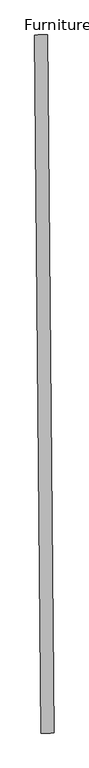
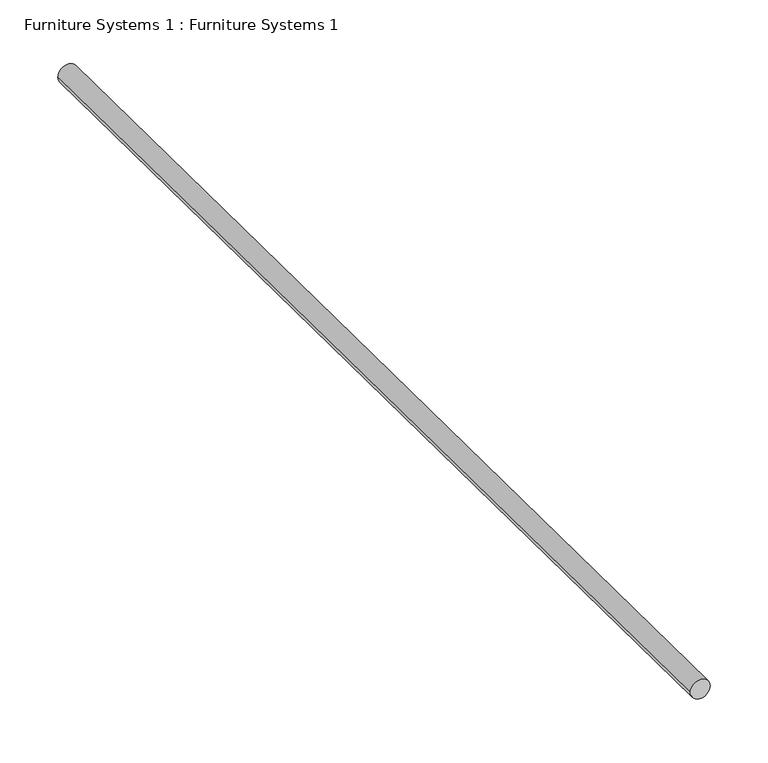
"""IFC4 building model written with IfcOpenShell, lengths in millimetres: furniture geometry, Furniture Systems 1 : Furniture Systems 1."""

import ifcopenshell
import ifcopenshell.guid

model = None  # the IFC model being written
_history = None  # IfcOwnerHistory: only IFC2X3 demands one
_inside = {}  # id of a spatial element -> (the spatial element, [elements in it])
_under = {}  # id of a project, library or spatial element -> (it, [spatial elements below it])
_declared = {}  # id of a project -> (the project, [libraries it declares])
_typed = {}  # id of a type object -> (the type object, [elements of that type])
_made_of = {}  # id of a material, layer set ... -> (it, [elements and type objects made of it])


def new_model(schema):
    """Start an empty IFC model of exactly this schema.

    Asked for "IFC4X3", IfcOpenShell would pick the latest addendum, in which some entities
    have other attributes; the version numbers below select the first issue.
    IFC2X3 requires an IfcOwnerHistory on every rooted entity: one is made here for all.
    """
    global model, _history
    if schema == "IFC4X3":
        model = ifcopenshell.file(schema_version=(4, 3, 0, 0))
    else:
        model = ifcopenshell.file(schema=schema)
    _inside.clear()
    _under.clear()
    _declared.clear()
    _typed.clear()
    _made_of.clear()
    _history = None
    if model.schema == "IFC2X3":
        org = make("IfcOrganization", Name="unknown")
        user = make(
            "IfcPersonAndOrganization",
            ThePerson=make("IfcPerson", FamilyName="unknown"),
            TheOrganization=org,
        )
        app = make(
            "IfcApplication",
            ApplicationDeveloper=org,
            Version="unknown",
            ApplicationFullName="unknown",
            ApplicationIdentifier="unknown",
        )
        _history = make(
            "IfcOwnerHistory",
            OwningUser=user,
            OwningApplication=app,
            ChangeAction="ADDED",
            CreationDate=0,
        )
    return model


def make(cls, **values):
    """One entity of the class cls with the attributes given. An attribute that is None is left unset."""
    return model.create_entity(
        cls, **{name: value for name, value in values.items() if value is not None}
    )


def rooted(cls, **values):
    """An entity with a GlobalId (a new one), such as an element, a storey or a relation."""
    return make(cls, GlobalId=ifcopenshell.guid.new(), OwnerHistory=_history, **values)


def si_unit(unit_type, name, prefix=None):
    """IfcSIUnit, for example si_unit("LENGTHUNIT", "METRE", prefix="MILLI")."""
    return make("IfcSIUnit", UnitType=unit_type, Prefix=prefix, Name=name)


def assignment(units):
    """IfcUnitAssignment: the units of a project."""
    return None if units is None else make("IfcUnitAssignment", Units=units)


def point(xyz):
    """IfcCartesianPoint."""
    return None if xyz is None else make("IfcCartesianPoint", Coordinates=xyz)


def direction(xyz):
    """IfcDirection."""
    return None if xyz is None else make("IfcDirection", DirectionRatios=xyz)


def frame(location, z_axis=None, x_axis=None):
    """IfcAxis2Placement3D, a coordinate frame: its origin and axes. An axis left out is left unset."""
    return make(
        "IfcAxis2Placement3D",
        Location=point(location),
        Axis=direction(z_axis),
        RefDirection=direction(x_axis),
    )


def frame_2d(location, x_axis=None):
    """IfcAxis2Placement2D, a coordinate frame in the plane: its origin and x axis."""
    return make(
        "IfcAxis2Placement2D", Location=point(location), RefDirection=direction(x_axis)
    )


def origin():
    """The frame at (0, 0, 0) with its axes left unset."""
    return frame((0.0, 0.0, 0.0))


def place(relative_to, where):
    """IfcLocalPlacement: puts the frame where relative to a parent placement (None: the world)."""
    return make(
        "IfcLocalPlacement", PlacementRelTo=relative_to, RelativePlacement=where
    )


def context(
    kind, dimensions, precision=None, world=None, true_north=None, identifier=None
):
    """IfcGeometricRepresentationContext, for example the 3D "Model" context."""
    return make(
        "IfcGeometricRepresentationContext",
        ContextIdentifier=identifier,
        ContextType=kind,
        CoordinateSpaceDimension=dimensions,
        Precision=precision,
        WorldCoordinateSystem=world,
        TrueNorth=true_north,
    )


def project(units=None, contexts=None):
    """IfcProject with its units and contexts."""
    return rooted(
        "IfcProject",
        Name="project",
        RepresentationContexts=contexts,
        UnitsInContext=assignment(units),
    )


def spatial(cls, under=None, at=None, **own):
    """A site, building, storey or space (cls), placed at a placement, below another one or the project."""
    s = rooted(cls, ObjectPlacement=at, **own)
    if under is not None:
        _under.setdefault(under.id(), (under, []))[1].append(s)
    return s


def circle_curve(where, radius):
    """IfcCircle in the frame where."""
    return make("IfcCircle", Position=where, Radius=radius)


def trimmed(basis, trim1, trim2, sense, master):
    """IfcTrimmedCurve: the piece of a basis curve between two trims."""
    return make(
        "IfcTrimmedCurve",
        BasisCurve=basis,
        Trim1=trim1,
        Trim2=trim2,
        SenseAgreement=sense,
        MasterRepresentation=master,
    )


def segment(curve, same_sense, transition):
    """IfcCompositeCurveSegment."""
    return make(
        "IfcCompositeCurveSegment",
        Transition=transition,
        SameSense=same_sense,
        ParentCurve=curve,
    )


def composite_curve(segments, self_intersect=None):
    """IfcCompositeCurve: segments joined end to end."""
    return make("IfcCompositeCurve", Segments=segments, SelfIntersect=self_intersect)


def outline(outer, holes=None, kind="AREA"):
    """IfcArbitraryClosedProfileDef: a profile drawn as a closed curve; with holes, ...WithVoids."""
    if holes is None:
        return make("IfcArbitraryClosedProfileDef", ProfileType=kind, OuterCurve=outer)
    return make(
        "IfcArbitraryProfileDefWithVoids",
        ProfileType=kind,
        OuterCurve=outer,
        InnerCurves=holes,
    )


def extrude(swept, where, along, depth):
    """IfcExtrudedAreaSolid: the profile swept, set in the frame where, extruded along a direction by depth."""
    return make(
        "IfcExtrudedAreaSolid",
        SweptArea=swept,
        Position=where,
        ExtrudedDirection=direction(along),
        Depth=depth,
    )


def shape(context_of_items, identifier, shape_type, items):
    """IfcShapeRepresentation: the items that make up one representation, for example the "Body"."""
    return make(
        "IfcShapeRepresentation",
        ContextOfItems=context_of_items,
        RepresentationIdentifier=identifier,
        RepresentationType=shape_type,
        Items=items,
    )


def source(mapping_origin, context_of_items, identifier, shape_type, items):
    """IfcRepresentationMap: a shape defined once, which mapped items show again and again."""
    return make(
        "IfcRepresentationMap",
        MappingOrigin=mapping_origin,
        MappedRepresentation=shape(context_of_items, identifier, shape_type, items),
    )


def transform(
    local_origin,
    x_axis=None,
    y_axis=None,
    z_axis=None,
    scale=None,
    scale2=None,
    scale3=None,
    uniform=True,
):
    """IfcCartesianTransformationOperator3D, or its non-uniform kind. x_axis, y_axis, z_axis: its Axis1, 2, 3."""
    if uniform:
        return make(
            "IfcCartesianTransformationOperator3D",
            Axis1=direction(x_axis),
            Axis2=direction(y_axis),
            LocalOrigin=point(local_origin),
            Scale=scale,
            Axis3=direction(z_axis),
        )
    return make(
        "IfcCartesianTransformationOperator3DnonUniform",
        Axis1=direction(x_axis),
        Axis2=direction(y_axis),
        LocalOrigin=point(local_origin),
        Scale=scale,
        Axis3=direction(z_axis),
        Scale2=scale2,
        Scale3=scale3,
    )


def mapped(mapping_source, mapping_target):
    """IfcMappedItem: shows the shape of a source again, moved by a transform."""
    return make(
        "IfcMappedItem", MappingSource=mapping_source, MappingTarget=mapping_target
    )


def made_of(thing, what):
    """Note that an element or type object is made of a material, layer set ...; save() writes the relation."""
    if what is not None:
        _made_of.setdefault(what.id(), (what, []))[1].append(thing)
    return thing


def element(
    cls,
    number,
    at=None,
    inside=None,
    cuts=None,
    type_object=None,
    material=None,
    context=None,
    identifier="Body",
    shape_type=None,
    held_by="IfcProductDefinitionShape",
    body=None,
    shapes=None,
    **own,
):
    """One element of the class cls, such as IfcWall. Its Tag is "e" and its number.

    at: its placement. inside: the storey or other place that contains it. cuts: it is an
    opening in that element (IfcRelVoidsElement). A single representation is given by context,
    identifier, shape_type and body (its items); several are given by shapes. held_by: the class
    of the entity that holds the representations. save() writes the other relations.
    """
    e = rooted(cls, Tag="e%d" % number, ObjectPlacement=at, **own)
    if body is not None:
        shapes = [shape(context, identifier, shape_type, body)]
    if shapes is not None:
        e.Representation = make(held_by, Representations=shapes)
    if inside is not None:
        _inside.setdefault(inside.id(), (inside, []))[1].append(e)
    if cuts is not None:
        rooted(
            "IfcRelVoidsElement", RelatingBuildingElement=cuts, RelatedOpeningElement=e
        )
    if type_object is not None:
        _typed.setdefault(type_object.id(), (type_object, []))[1].append(e)
    return made_of(e, material)


def aggregate(whole, parts):
    """IfcRelAggregates: a whole, such as a stair, and the parts it consists of."""
    return rooted("IfcRelAggregates", RelatingObject=whole, RelatedObjects=parts)


def save(model, path):
    """Write the relations noted so far, then the file.

    IfcRelAggregates (storeys below a building ...), IfcRelContainedInSpatialStructure (elements
    in a storey), IfcRelDefinesByType, IfcRelAssociatesMaterial and IfcRelDeclares: one each for
    every whole, place, type object, material and project.
    """
    for whole, parts in _under.values():
        aggregate(whole, parts)
    for where, things in _inside.values():
        rooted(
            "IfcRelContainedInSpatialStructure",
            RelatedElements=things,
            RelatingStructure=where,
        )
    for kind, things in _typed.values():
        rooted("IfcRelDefinesByType", RelatedObjects=things, RelatingType=kind)
    for what, things in _made_of.values():
        rooted("IfcRelAssociatesMaterial", RelatedObjects=things, RelatingMaterial=what)
    for by, libraries in _declared.values():
        rooted("IfcRelDeclares", RelatingContext=by, RelatedDefinitions=libraries)
    model.write(path)


def furniture_systems_1_furniture_systems_1_1b881323(model_context):
    return source(origin(), model_context, "Body", "SweptSolid", [
        extrude(outline(composite_curve([segment(trimmed(circle_curve(frame_2d((0.0, -10.0)), 10.0), [point((0.0, -20.0))], [point((0.0, 0.0))], False, "CARTESIAN"), True, "CONTINUOUS"), segment(trimmed(circle_curve(frame_2d((0.0, -10.0)), 10.0), [point((0.0, 0.0))], [point((0.0, -20.0))], False, "CARTESIAN"), True, "CONTINUOUS")], self_intersect=False)), frame((-45085.3233261, 50803.8374912, 112642.9456554), z_axis=(-0.009063654118702575, 0.9999589242433994, 0.0), x_axis=(0.0, 0.0, -1.0)), (0.0, 0.0, 1.0), 1078.1962963),
    ])


if __name__ == "__main__":
    model = new_model("IFC4")
    model_context = context("Model", 3, world=origin())
    ifc_project = project(units=[si_unit("LENGTHUNIT", "METRE", prefix="MILLI")], contexts=[model_context])
    site = spatial("IfcSite", under=ifc_project)
    building = spatial("IfcBuilding", under=site)
    placement = place(None, origin())
    furniture_systems_1_furniture_systems_1_shape = furniture_systems_1_furniture_systems_1_1b881323(model_context)
    element("IfcFurniture", 1, ObjectType="Furniture Systems 1 : Furniture Systems 1", at=placement, inside=building, context=model_context, shape_type="MappedRepresentation", body=[
        mapped(furniture_systems_1_furniture_systems_1_shape, transform((0.0, 0.0, 0.0), x_axis=(1.0, 0.0, 0.0), y_axis=(0.0, 1.0, 0.0), z_axis=(0.0, 0.0, 1.0))),
    ])
    save(model, "model.ifc")
